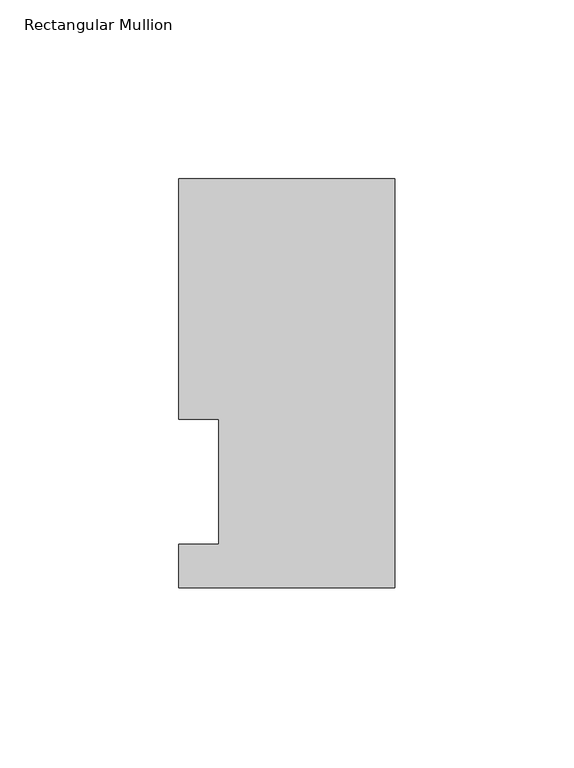
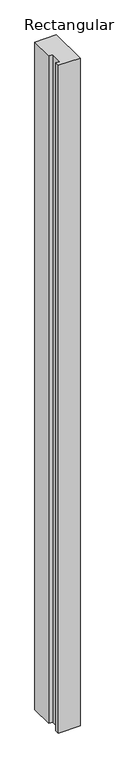
"""IFC4 building model written with IfcOpenShell, lengths in millimetres: member geometry, Rectangular Mullion."""

import ifcopenshell
import ifcopenshell.guid

model = None  # the IFC model being written
_history = None  # IfcOwnerHistory: only IFC2X3 demands one
_inside = {}  # id of a spatial element -> (the spatial element, [elements in it])
_under = {}  # id of a project, library or spatial element -> (it, [spatial elements below it])
_declared = {}  # id of a project -> (the project, [libraries it declares])
_typed = {}  # id of a type object -> (the type object, [elements of that type])
_made_of = {}  # id of a material, layer set ... -> (it, [elements and type objects made of it])


def new_model(schema):
    """Start an empty IFC model of exactly this schema.

    Asked for "IFC4X3", IfcOpenShell would pick the latest addendum, in which some entities
    have other attributes; the version numbers below select the first issue.
    IFC2X3 requires an IfcOwnerHistory on every rooted entity: one is made here for all.
    """
    global model, _history
    if schema == "IFC4X3":
        model = ifcopenshell.file(schema_version=(4, 3, 0, 0))
    else:
        model = ifcopenshell.file(schema=schema)
    _inside.clear()
    _under.clear()
    _declared.clear()
    _typed.clear()
    _made_of.clear()
    _history = None
    if model.schema == "IFC2X3":
        org = make("IfcOrganization", Name="unknown")
        user = make(
            "IfcPersonAndOrganization",
            ThePerson=make("IfcPerson", FamilyName="unknown"),
            TheOrganization=org,
        )
        app = make(
            "IfcApplication",
            ApplicationDeveloper=org,
            Version="unknown",
            ApplicationFullName="unknown",
            ApplicationIdentifier="unknown",
        )
        _history = make(
            "IfcOwnerHistory",
            OwningUser=user,
            OwningApplication=app,
            ChangeAction="ADDED",
            CreationDate=0,
        )
    return model


def make(cls, **values):
    """One entity of the class cls with the attributes given. An attribute that is None is left unset."""
    return model.create_entity(
        cls, **{name: value for name, value in values.items() if value is not None}
    )


def rooted(cls, **values):
    """An entity with a GlobalId (a new one), such as an element, a storey or a relation."""
    return make(cls, GlobalId=ifcopenshell.guid.new(), OwnerHistory=_history, **values)


def si_unit(unit_type, name, prefix=None):
    """IfcSIUnit, for example si_unit("LENGTHUNIT", "METRE", prefix="MILLI")."""
    return make("IfcSIUnit", UnitType=unit_type, Prefix=prefix, Name=name)


def assignment(units):
    """IfcUnitAssignment: the units of a project."""
    return None if units is None else make("IfcUnitAssignment", Units=units)


def point(xyz):
    """IfcCartesianPoint."""
    return None if xyz is None else make("IfcCartesianPoint", Coordinates=xyz)


def direction(xyz):
    """IfcDirection."""
    return None if xyz is None else make("IfcDirection", DirectionRatios=xyz)


def frame(location, z_axis=None, x_axis=None):
    """IfcAxis2Placement3D, a coordinate frame: its origin and axes. An axis left out is left unset."""
    return make(
        "IfcAxis2Placement3D",
        Location=point(location),
        Axis=direction(z_axis),
        RefDirection=direction(x_axis),
    )


def origin():
    """The frame at (0, 0, 0) with its axes left unset."""
    return frame((0.0, 0.0, 0.0))


def place(relative_to, where):
    """IfcLocalPlacement: puts the frame where relative to a parent placement (None: the world)."""
    return make(
        "IfcLocalPlacement", PlacementRelTo=relative_to, RelativePlacement=where
    )


def context(
    kind, dimensions, precision=None, world=None, true_north=None, identifier=None
):
    """IfcGeometricRepresentationContext, for example the 3D "Model" context."""
    return make(
        "IfcGeometricRepresentationContext",
        ContextIdentifier=identifier,
        ContextType=kind,
        CoordinateSpaceDimension=dimensions,
        Precision=precision,
        WorldCoordinateSystem=world,
        TrueNorth=true_north,
    )


def project(units=None, contexts=None):
    """IfcProject with its units and contexts."""
    return rooted(
        "IfcProject",
        Name="project",
        RepresentationContexts=contexts,
        UnitsInContext=assignment(units),
    )


def spatial(cls, under=None, at=None, **own):
    """A site, building, storey or space (cls), placed at a placement, below another one or the project."""
    s = rooted(cls, ObjectPlacement=at, **own)
    if under is not None:
        _under.setdefault(under.id(), (under, []))[1].append(s)
    return s


def polyline(points):
    """IfcPolyline through the points."""
    return make("IfcPolyline", Points=[point(p) for p in points])


def outline(outer, holes=None, kind="AREA"):
    """IfcArbitraryClosedProfileDef: a profile drawn as a closed curve; with holes, ...WithVoids."""
    if holes is None:
        return make("IfcArbitraryClosedProfileDef", ProfileType=kind, OuterCurve=outer)
    return make(
        "IfcArbitraryProfileDefWithVoids",
        ProfileType=kind,
        OuterCurve=outer,
        InnerCurves=holes,
    )


def extrude(swept, where, along, depth):
    """IfcExtrudedAreaSolid: the profile swept, set in the frame where, extruded along a direction by depth."""
    return make(
        "IfcExtrudedAreaSolid",
        SweptArea=swept,
        Position=where,
        ExtrudedDirection=direction(along),
        Depth=depth,
    )


def shape(context_of_items, identifier, shape_type, items):
    """IfcShapeRepresentation: the items that make up one representation, for example the "Body"."""
    return make(
        "IfcShapeRepresentation",
        ContextOfItems=context_of_items,
        RepresentationIdentifier=identifier,
        RepresentationType=shape_type,
        Items=items,
    )


def source(mapping_origin, context_of_items, identifier, shape_type, items):
    """IfcRepresentationMap: a shape defined once, which mapped items show again and again."""
    return make(
        "IfcRepresentationMap",
        MappingOrigin=mapping_origin,
        MappedRepresentation=shape(context_of_items, identifier, shape_type, items),
    )


def transform(
    local_origin,
    x_axis=None,
    y_axis=None,
    z_axis=None,
    scale=None,
    scale2=None,
    scale3=None,
    uniform=True,
):
    """IfcCartesianTransformationOperator3D, or its non-uniform kind. x_axis, y_axis, z_axis: its Axis1, 2, 3."""
    if uniform:
        return make(
            "IfcCartesianTransformationOperator3D",
            Axis1=direction(x_axis),
            Axis2=direction(y_axis),
            LocalOrigin=point(local_origin),
            Scale=scale,
            Axis3=direction(z_axis),
        )
    return make(
        "IfcCartesianTransformationOperator3DnonUniform",
        Axis1=direction(x_axis),
        Axis2=direction(y_axis),
        LocalOrigin=point(local_origin),
        Scale=scale,
        Axis3=direction(z_axis),
        Scale2=scale2,
        Scale3=scale3,
    )


def mapped(mapping_source, mapping_target):
    """IfcMappedItem: shows the shape of a source again, moved by a transform."""
    return make(
        "IfcMappedItem", MappingSource=mapping_source, MappingTarget=mapping_target
    )


def made_of(thing, what):
    """Note that an element or type object is made of a material, layer set ...; save() writes the relation."""
    if what is not None:
        _made_of.setdefault(what.id(), (what, []))[1].append(thing)
    return thing


def element(
    cls,
    number,
    at=None,
    inside=None,
    cuts=None,
    type_object=None,
    material=None,
    context=None,
    identifier="Body",
    shape_type=None,
    held_by="IfcProductDefinitionShape",
    body=None,
    shapes=None,
    **own,
):
    """One element of the class cls, such as IfcWall. Its Tag is "e" and its number.

    at: its placement. inside: the storey or other place that contains it. cuts: it is an
    opening in that element (IfcRelVoidsElement). A single representation is given by context,
    identifier, shape_type and body (its items); several are given by shapes. held_by: the class
    of the entity that holds the representations. save() writes the other relations.
    """
    e = rooted(cls, Tag="e%d" % number, ObjectPlacement=at, **own)
    if body is not None:
        shapes = [shape(context, identifier, shape_type, body)]
    if shapes is not None:
        e.Representation = make(held_by, Representations=shapes)
    if inside is not None:
        _inside.setdefault(inside.id(), (inside, []))[1].append(e)
    if cuts is not None:
        rooted(
            "IfcRelVoidsElement", RelatingBuildingElement=cuts, RelatedOpeningElement=e
        )
    if type_object is not None:
        _typed.setdefault(type_object.id(), (type_object, []))[1].append(e)
    return made_of(e, material)


def aggregate(whole, parts):
    """IfcRelAggregates: a whole, such as a stair, and the parts it consists of."""
    return rooted("IfcRelAggregates", RelatingObject=whole, RelatedObjects=parts)


def save(model, path):
    """Write the relations noted so far, then the file.

    IfcRelAggregates (storeys below a building ...), IfcRelContainedInSpatialStructure (elements
    in a storey), IfcRelDefinesByType, IfcRelAssociatesMaterial and IfcRelDeclares: one each for
    every whole, place, type object, material and project.
    """
    for whole, parts in _under.values():
        aggregate(whole, parts)
    for where, things in _inside.values():
        rooted(
            "IfcRelContainedInSpatialStructure",
            RelatedElements=things,
            RelatingStructure=where,
        )
    for kind, things in _typed.values():
        rooted("IfcRelDefinesByType", RelatedObjects=things, RelatingType=kind)
    for what, things in _made_of.values():
        rooted("IfcRelAssociatesMaterial", RelatedObjects=things, RelatingMaterial=what)
    for by, libraries in _declared.values():
        rooted("IfcRelDeclares", RelatingContext=by, RelatedDefinitions=libraries)
    model.write(path)


def rectangular_mullion_823de351(model_context):
    return source(origin(), model_context, "Body", "SweptSolid", [
        extrude(outline(polyline([(0.0, 114.252375), (0.0, -0.047625), (-60.325, -0.047625), (-60.325, 12.144375), (-49.2125, 12.144375), (-49.2125, 47.069375), (-60.325, 47.069375), (-60.325, 114.252375), (0.0, 114.252375)])), frame((0.0, 0.0, -1974.85), z_axis=(0.0, 0.0, 1.0), x_axis=(1.0, 0.0, 0.0)), (0.0, 0.0, 1.0), 1974.85),
    ])


if __name__ == "__main__":
    model = new_model("IFC4")
    model_context = context("Model", 3, world=origin())
    ifc_project = project(units=[si_unit("LENGTHUNIT", "METRE", prefix="MILLI")], contexts=[model_context])
    site = spatial("IfcSite", under=ifc_project)
    building = spatial("IfcBuilding", under=site)
    placement = place(None, origin())
    rectangular_mullion_shape = rectangular_mullion_823de351(model_context)
    element("IfcMember", 1, ObjectType="Rectangular Mullion", at=placement, inside=building, context=model_context, shape_type="MappedRepresentation", body=[
        mapped(rectangular_mullion_shape, transform((0.0, 0.0, 0.0), x_axis=(1.0, 0.0, 0.0), y_axis=(0.0, 1.0, 0.0), z_axis=(0.0, 0.0, 1.0))),
    ])
    save(model, "model.ifc")
